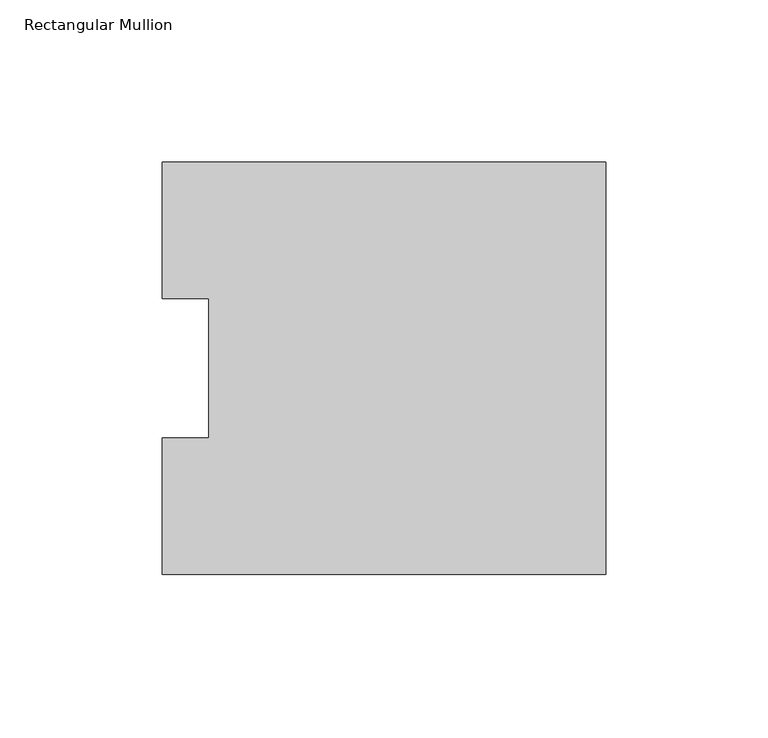
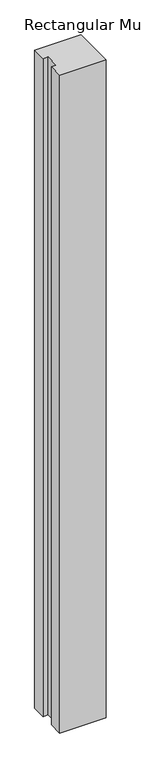
"""IFC4 building model written with IfcOpenShell, lengths in millimetres: member geometry, Rectangular Mullion."""

from ifc_helpers import new_model, si_unit, frame, origin, place, context, project, spatial, polyline, outline, extrude, source, transform, mapped, element, save


def rectangular_mullion_fb0d9f28(model_context):
    return source(origin(), model_context, "Body", "SweptSolid", [
        extrude(outline(polyline([(-136.525, 126.7086938), (0.0, 126.7086938), (0.0, -0.2913062), (-136.525, -0.2913062), (-136.525, 41.7837938), (-122.2375, 41.7837938), (-122.2375, 84.6335937), (-136.525, 84.6335937), (-136.525, 126.7086938)])), frame((0.0, 0.0, -2044.7177772), z_axis=(0.0, 0.0, 1.0), x_axis=(1.0, 0.0, 0.0)), (0.0, 0.0, 1.0), 2044.7177772),
    ])


if __name__ == "__main__":
    model = new_model("IFC4")
    model_context = context("Model", 3, world=origin())
    ifc_project = project(units=[si_unit("LENGTHUNIT", "METRE", prefix="MILLI")], contexts=[model_context])
    site = spatial("IfcSite", under=ifc_project)
    building = spatial("IfcBuilding", under=site)
    placement = place(None, origin())
    rectangular_mullion_shape = rectangular_mullion_fb0d9f28(model_context)
    element("IfcMember", 1, ObjectType="Rectangular Mullion", at=placement, inside=building, context=model_context, shape_type="MappedRepresentation", body=[
        mapped(rectangular_mullion_shape, transform((0.0, 0.0, 0.0), x_axis=(1.0, 0.0, 0.0), y_axis=(0.0, 1.0, 0.0), z_axis=(0.0, 0.0, 1.0))),
    ])
    save(model, "model.ifc")
